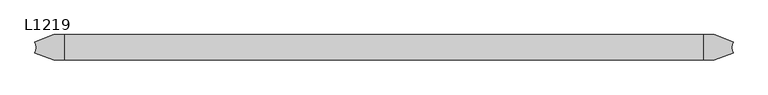
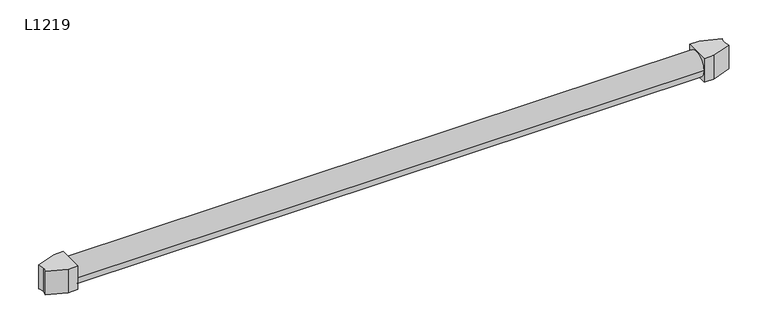
"""IFC4 building model written with IfcOpenShell, lengths in millimetres: proxy geometry, L1219."""

from ifc_helpers import new_model, si_unit, point, frame, frame_2d, origin, origin_2d, place, context, project, spatial, polyline, circle_curve, trimmed, segment, composite_curve, outline, extrude, source, transform, mapped, element, save


def l1219_2597ca0e(model_context):
    return source(origin(), model_context, "Body", "SweptSolid", [
        extrude(outline(composite_curve([segment(polyline([(71.4999948, 21.5), (71.4999948, -21.5), (54.4591948, -21.5), (22.4171288, -9.3788237)]), True, "CONTINUOUS"), segment(trimmed(circle_curve(origin_2d(), 24.3), [point((22.4171288, -9.3788237))], [point((24.3, 0.0))], True, "CARTESIAN"), True, "CONTINUOUS"), segment(trimmed(circle_curve(origin_2d(), 24.3), [point((24.3, 0.0))], [point((22.4171288, 9.3788237))], True, "CARTESIAN"), True, "CONTINUOUS"), segment(polyline([(22.4171288, 9.3788237), (54.4591948, 21.5), (71.4999948, 21.5)]), True, "CONTINUOUS")], self_intersect=False)), frame((0.0, 0.0, -21.5), z_axis=(0.0, 0.0, 1.0), x_axis=(1.0, 0.0, 0.0)), (0.0, 0.0, 1.0), 43.0),
        extrude(outline(composite_curve([segment(polyline([(1147.4999948, -21.5), (1147.4999948, 21.5), (1164.5407948, 21.5), (1196.5828608, 9.3788237)]), True, "CONTINUOUS"), segment(trimmed(circle_curve(frame_2d((1218.9999897, 0.0)), 24.3), [point((1196.5828608, 9.3788237))], [point((1194.6999897, 0.0))], True, "CARTESIAN"), True, "CONTINUOUS"), segment(trimmed(circle_curve(frame_2d((1218.9999897, 0.0)), 24.3), [point((1194.6999897, 0.0))], [point((1196.5828608, -9.3788237))], True, "CARTESIAN"), True, "CONTINUOUS"), segment(polyline([(1196.5828608, -9.3788237), (1164.5407948, -21.5), (1147.4999948, -21.5)]), True, "CONTINUOUS")], self_intersect=False)), frame((0.0, 0.0, -21.5), z_axis=(0.0, 0.0, 1.0), x_axis=(1.0, 0.0, 0.0)), (0.0, 0.0, 1.0), 43.0),
        extrude(outline(composite_curve([segment(trimmed(circle_curve(origin_2d(), 21.4), [point((-21.4, 0.0))], [point((21.4, 0.0))], False, "CARTESIAN"), True, "CONTINUOUS"), segment(trimmed(circle_curve(origin_2d(), 21.4), [point((21.4, 0.0))], [point((-21.4, 0.0))], False, "CARTESIAN"), True, "CONTINUOUS")], self_intersect=False)), frame((71.4999948, 0.0, 0.0), z_axis=(1.0, 0.0, 0.0), x_axis=(0.0, 1.0, 0.0)), (0.0, 0.0, 1.0), 1076.0),
    ])


if __name__ == "__main__":
    model = new_model("IFC4")
    model_context = context("Model", 3, world=origin())
    ifc_project = project(units=[si_unit("LENGTHUNIT", "METRE", prefix="MILLI")], contexts=[model_context])
    site = spatial("IfcSite", under=ifc_project)
    building = spatial("IfcBuilding", under=site)
    placement = place(None, origin())
    l1219_shape = l1219_2597ca0e(model_context)
    element("IfcBuildingElementProxy", 1, Name="L1219", ObjectType="L1219", at=placement, inside=building, context=model_context, shape_type="MappedRepresentation", body=[
        mapped(l1219_shape, transform((0.0, 0.0, 0.0), x_axis=(1.0, 0.0, 0.0), y_axis=(0.0, 1.0, 0.0), z_axis=(0.0, 0.0, 1.0))),
    ])
    save(model, "model.ifc")
